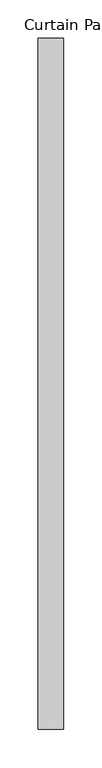
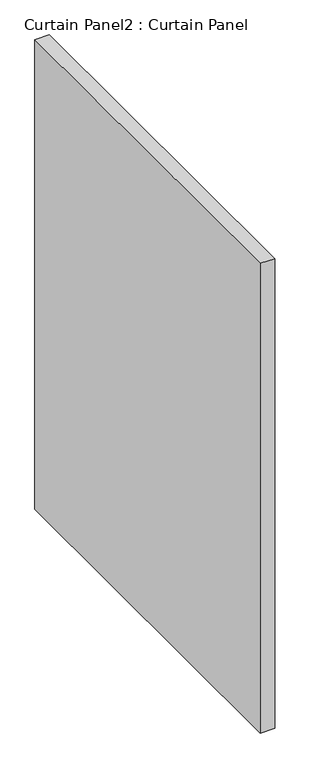
"""IFC4 building model written with IfcOpenShell, lengths in millimetres: plate geometry, Curtain Panel2 : Curtain Panel."""

from ifc_helpers import new_model, si_unit, frame, origin, place, context, project, spatial, polyline, outline, extrude, source, transform, mapped, element, save


def curtain_panel2_curtain_panel_d251465a(model_context):
    return source(origin(), model_context, "Body", "SweptSolid", [
        extrude(outline(polyline([(-94355.4609225, 90389.4936487), (-94355.4609225, 89488.926818), (-94388.7984225, 89488.926818), (-94388.7984225, 90389.4936487), (-94355.4609225, 90389.4936487)])), frame((0.0, 0.0, 2457.45), z_axis=(0.0, 0.0, 1.0), x_axis=(1.0, 0.0, 0.0)), (0.0, 0.0, 1.0), 1146.1205281),
    ])


if __name__ == "__main__":
    model = new_model("IFC4")
    model_context = context("Model", 3, world=origin())
    ifc_project = project(units=[si_unit("LENGTHUNIT", "METRE", prefix="MILLI")], contexts=[model_context])
    site = spatial("IfcSite", under=ifc_project)
    building = spatial("IfcBuilding", under=site)
    placement = place(None, origin())
    curtain_panel2_curtain_panel_shape = curtain_panel2_curtain_panel_d251465a(model_context)
    element("IfcPlate", 1, ObjectType="Curtain Panel2 : Curtain Panel", at=placement, inside=building, context=model_context, shape_type="MappedRepresentation", body=[
        mapped(curtain_panel2_curtain_panel_shape, transform((0.0, 0.0, 0.0), x_axis=(1.0, 0.0, 0.0), y_axis=(0.0, 1.0, 0.0), z_axis=(0.0, 0.0, 1.0))),
    ])
    save(model, "model.ifc")
